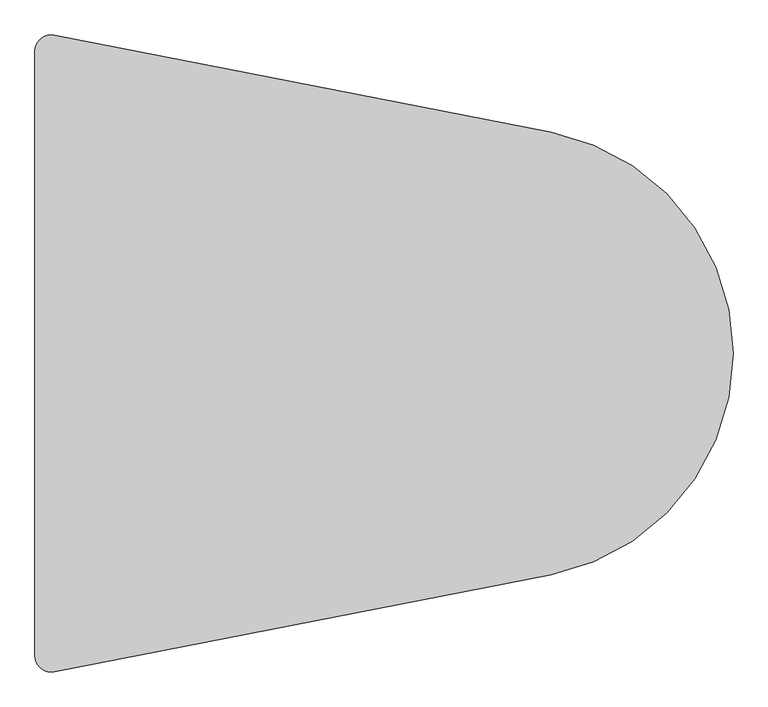
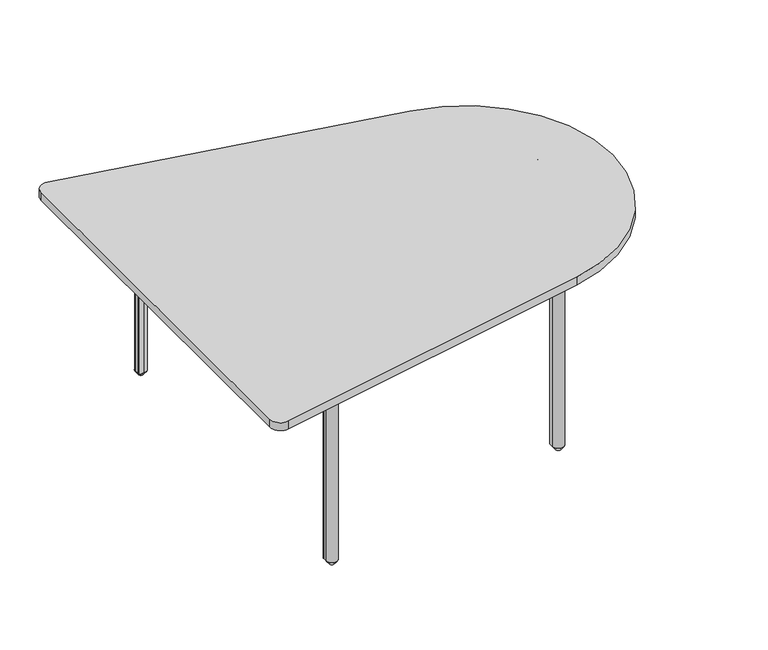
"""IFC4 building model written with IfcOpenShell, lengths in millimetres: furniture geometry."""

from ifc_helpers import new_model, si_unit, point, frame, frame_2d, origin, place, context, project, spatial, polyline, circle_curve, trimmed, segment, composite_curve, outline, extrude, source, transform, mapped, element, save
from ifc_brep_helpers import plane_surface, revolved_surface, advanced_brep


def furniture_8919240a(model_context):
    return source(origin(), model_context, "Body", "SolidModel", [
        extrude(outline(composite_curve([segment(polyline([(306.4996383, -521.4095289), (313.1111225, -596.9790602)]), True, "CONTINUOUS"), segment(trimmed(circle_curve(frame_2d((294.1336137, -598.6393789)), 19.05), [point((313.1111225, -596.9790602))], [point((292.4732951, -617.6168877))], False, "CARTESIAN"), True, "CONTINUOUS"), segment(polyline([(292.4732951, -617.6168877), (214.7829764, -610.8198584)]), True, "CONTINUOUS"), segment(trimmed(circle_curve(frame_2d((216.6745905, -589.1986336)), 21.7038146), [point((214.7829764, -610.8198584))], [point((201.3276771, -604.5455492))], False, "CARTESIAN"), True, "CONTINUOUS"), segment(polyline([(201.3276771, -604.5455492), (185.7002049, -588.9180792)]), True, "CONTINUOUS"), segment(trimmed(circle_curve(frame_2d((206.6651342, -567.9531469)), 29.6488894), [point((185.7002049, -588.9180792))], [point((177.1290677, -570.5372177))], False, "CARTESIAN"), True, "CONTINUOUS"), segment(polyline([(177.1290677, -570.5372177), (170.6816968, -496.8434272), (170.6816968, -478.6223852)]), True, "CONTINUOUS"), segment(trimmed(circle_curve(frame_2d((174.1166211, -478.6223852)), 3.4349243), [point((170.6816968, -478.6223852))], [point((174.1166211, -475.1874609))], False, "CARTESIAN"), True, "CONTINUOUS"), segment(polyline([(174.1166211, -475.1874609), (192.3376556, -475.1874609), (265.2696232, -481.5681814)]), True, "CONTINUOUS"), segment(trimmed(circle_curve(frame_2d((262.5024283, -513.1973631)), 31.75), [point((265.2696232, -481.5681814))], [point((284.9530718, -490.746726))], False, "CARTESIAN"), True, "CONTINUOUS"), segment(polyline([(284.9530718, -490.746726), (298.534434, -504.328092)]), True, "CONTINUOUS"), segment(trimmed(circle_curve(frame_2d((279.0515964, -523.810924)), 27.5528892), [point((298.534434, -504.328092))], [point((306.4996383, -521.4095289))], False, "CARTESIAN"), True, "CONTINUOUS")], self_intersect=False)), frame((0.0, 0.0, 686.384194), z_axis=(0.0, 0.0, 1.0), x_axis=(1.0, 0.0, 0.0)), (0.0, 0.0, 1.0), 7.924807),
        extrude(outline(composite_curve([segment(polyline([(1231.5307827, -335.3613722), (1238.1422669, -410.9309035)]), True, "CONTINUOUS"), segment(trimmed(circle_curve(frame_2d((1219.1647581, -412.5912221)), 19.05), [point((1238.1422669, -410.9309035))], [point((1217.5044395, -431.568731))], False, "CARTESIAN"), True, "CONTINUOUS"), segment(polyline([(1217.5044395, -431.568731), (1139.8141208, -424.7717017)]), True, "CONTINUOUS"), segment(trimmed(circle_curve(frame_2d((1141.7057349, -403.1504769)), 21.7038146), [point((1139.8141208, -424.7717017))], [point((1126.3588215, -418.4973924))], False, "CARTESIAN"), True, "CONTINUOUS"), segment(polyline([(1126.3588215, -418.4973924), (1110.7313493, -402.8699224)]), True, "CONTINUOUS"), segment(trimmed(circle_curve(frame_2d((1131.6962785, -381.9049902)), 29.6488894), [point((1110.7313493, -402.8699224))], [point((1102.1602121, -384.489061))], False, "CARTESIAN"), True, "CONTINUOUS"), segment(polyline([(1102.1602121, -384.489061), (1095.7128412, -310.7952705), (1095.7128412, -292.5742284)]), True, "CONTINUOUS"), segment(trimmed(circle_curve(frame_2d((1099.1477655, -292.5742284)), 3.4349243), [point((1095.7128412, -292.5742284))], [point((1099.1477655, -289.1393042))], False, "CARTESIAN"), True, "CONTINUOUS"), segment(polyline([(1099.1477655, -289.1393042), (1117.3688, -289.1393042), (1190.3007676, -295.5200247)]), True, "CONTINUOUS"), segment(trimmed(circle_curve(frame_2d((1187.5335727, -327.1492064)), 31.75), [point((1190.3007676, -295.5200247))], [point((1209.9842162, -304.6985692))], False, "CARTESIAN"), True, "CONTINUOUS"), segment(polyline([(1209.9842162, -304.6985692), (1223.5655783, -318.2799352)]), True, "CONTINUOUS"), segment(trimmed(circle_curve(frame_2d((1204.0827408, -337.7627672)), 27.5528892), [point((1223.5655783, -318.2799352))], [point((1231.5307827, -335.3613722))], False, "CARTESIAN"), True, "CONTINUOUS")], self_intersect=False)), frame((0.0, 0.0, 686.384194), z_axis=(0.0, 0.0, 1.0), x_axis=(1.0, 0.0, 0.0)), (0.0, 0.0, 1.0), 7.924807),
        extrude(outline(composite_curve([segment(polyline([(216.7261592, 611.0453201), (292.2956905, 617.6568043)]), True, "CONTINUOUS"), segment(trimmed(circle_curve(frame_2d((293.9560091, 598.6792955)), 19.05), [point((292.2956905, 617.6568043))], [point((312.933518, 597.0189769))], False, "CARTESIAN"), True, "CONTINUOUS"), segment(polyline([(312.933518, 597.0189769), (306.1364887, 519.3286582)]), True, "CONTINUOUS"), segment(trimmed(circle_curve(frame_2d((284.5152639, 521.2202723)), 21.7038146), [point((306.1364887, 519.3286582))], [point((299.8621794, 505.8733589))], False, "CARTESIAN"), True, "CONTINUOUS"), segment(polyline([(299.8621794, 505.8733589), (284.2347094, 490.2458867)]), True, "CONTINUOUS"), segment(trimmed(circle_curve(frame_2d((263.2697772, 511.210816)), 29.6488894), [point((284.2347094, 490.2458867))], [point((265.853848, 481.6747495))], False, "CARTESIAN"), True, "CONTINUOUS"), segment(polyline([(265.853848, 481.6747495), (192.1600575, 475.2273787), (173.9390155, 475.2273787)]), True, "CONTINUOUS"), segment(trimmed(circle_curve(frame_2d((173.9390155, 478.6623029)), 3.4349243), [point((173.9390155, 475.2273787))], [point((170.5040912, 478.6623029))], False, "CARTESIAN"), True, "CONTINUOUS"), segment(polyline([(170.5040912, 478.6623029), (170.5040912, 496.8833374), (176.8848117, 569.8153051)]), True, "CONTINUOUS"), segment(trimmed(circle_curve(frame_2d((208.5139934, 567.0481102)), 31.75), [point((176.8848117, 569.8153051))], [point((186.0633563, 589.4987536))], False, "CARTESIAN"), True, "CONTINUOUS"), segment(polyline([(186.0633563, 589.4987536), (199.6447222, 603.0801158)]), True, "CONTINUOUS"), segment(trimmed(circle_curve(frame_2d((219.1275542, 583.5972782)), 27.5528892), [point((199.6447222, 603.0801158))], [point((216.7261592, 611.0453201))], False, "CARTESIAN"), True, "CONTINUOUS")], self_intersect=False)), frame((0.0, 0.0, 686.384194), z_axis=(0.0, 0.0, 1.0), x_axis=(1.0, 0.0, 0.0)), (0.0, 0.0, 1.0), 7.924807),
        extrude(outline(composite_curve([segment(polyline([(1140.9097739, 425.6475359), (1216.4793052, 432.2590201)]), True, "CONTINUOUS"), segment(trimmed(circle_curve(frame_2d((1218.1396238, 413.2815113)), 19.05), [point((1216.4793052, 432.2590201))], [point((1237.1171327, 411.6211926))], False, "CARTESIAN"), True, "CONTINUOUS"), segment(polyline([(1237.1171327, 411.6211926), (1230.3201034, 333.930874)]), True, "CONTINUOUS"), segment(trimmed(circle_curve(frame_2d((1208.6988785, 335.8224881)), 21.7038146), [point((1230.3201034, 333.930874))], [point((1224.0457941, 320.4755747))], False, "CARTESIAN"), True, "CONTINUOUS"), segment(polyline([(1224.0457941, 320.4755747), (1208.4183241, 304.8481025)]), True, "CONTINUOUS"), segment(trimmed(circle_curve(frame_2d((1187.4533919, 325.8130317)), 29.6488894), [point((1208.4183241, 304.8481025))], [point((1190.0374627, 296.2769653))], False, "CARTESIAN"), True, "CONTINUOUS"), segment(polyline([(1190.0374627, 296.2769653), (1116.3436722, 289.8295944), (1098.1226301, 289.8295944)]), True, "CONTINUOUS"), segment(trimmed(circle_curve(frame_2d((1098.1226301, 293.2645187)), 3.4349243), [point((1098.1226301, 289.8295944))], [point((1094.6877058, 293.2645187))], False, "CARTESIAN"), True, "CONTINUOUS"), segment(polyline([(1094.6877058, 293.2645187), (1094.6877058, 311.4855532), (1101.0684264, 384.4175208)]), True, "CONTINUOUS"), segment(trimmed(circle_curve(frame_2d((1132.697608, 381.6503259)), 31.75), [point((1101.0684264, 384.4175208))], [point((1110.2469709, 404.1009694))], False, "CARTESIAN"), True, "CONTINUOUS"), segment(polyline([(1110.2469709, 404.1009694), (1123.8283369, 417.6823315)]), True, "CONTINUOUS"), segment(trimmed(circle_curve(frame_2d((1143.3111689, 398.199494)), 27.5528892), [point((1123.8283369, 417.6823315))], [point((1140.9097739, 425.6475359))], False, "CARTESIAN"), True, "CONTINUOUS")], self_intersect=False)), frame((0.0, 0.0, 686.384194), z_axis=(0.0, 0.0, 1.0), x_axis=(1.0, 0.0, 0.0)), (0.0, 0.0, 1.0), 7.924807),
        extrude(outline(composite_curve([segment(polyline([(0.0, -715.7297218), (0.0, 715.7297218)]), True, "CONTINUOUS"), segment(trimmed(circle_curve(frame_2d((38.1, 715.7297218)), 38.1), [point((0.0, 715.7297218))], [point((45.4104976, 753.1217881))], False, "CARTESIAN"), True, "CONTINUOUS"), segment(polyline([(45.4104976, 753.1217881), (1219.9471093, 523.4889286)]), True, "CONTINUOUS"), segment(trimmed(circle_curve(frame_2d((1117.6001425, 0.0)), 533.4), [point((1219.9471093, 523.4889286))], [point((1219.9471093, -523.4889286))], False, "CARTESIAN"), True, "CONTINUOUS"), segment(polyline([(1219.9471093, -523.4889286), (45.4104976, -753.1217881)]), True, "CONTINUOUS"), segment(trimmed(circle_curve(frame_2d((38.1, -715.7297218)), 38.1), [point((45.4104976, -753.1217881))], [point((0.0, -715.7297218))], False, "CARTESIAN"), True, "CONTINUOUS")], self_intersect=False)), frame((0.0, 0.0, 694.309001), z_axis=(0.0, 0.0, 1.0), x_axis=(1.0, 0.0, 0.0)), (0.0, 0.0, 1.0), 29.5899817),
        advanced_brep(
        [(1225.9970799, 411.0607173, 0.0), (1208.3572806, 411.0607173, 0.0), (1217.1771803, 411.0607173, 0.0), (1217.1771803, 411.0607173, 15.24), (1197.1767863, 411.0607173, 15.24), (1237.1775742, 411.0607173, 15.24)],
        [
            (0, 1, circle_curve(frame((1217.1771803, 411.0607173, 0.0), z_axis=(0.0, 0.0, -1.0), x_axis=(-1.0, 0.0, 0.0)), 8.8198997)),
            (1, 2),
            (2, 0),
            (1, 0, circle_curve(frame((1217.1771803, 411.0607173, 0.0), z_axis=(0.0, 0.0, -1.0), x_axis=(-1.0, 0.0, 0.0)), 8.8198997)),
            (3, 4),
            (4, 5, circle_curve(frame((1217.1771803, 411.0607173, 15.24), z_axis=(0.0, 0.0, 1.0), x_axis=(-1.0, 0.0, 0.0)), 20.0003939)),
            (5, 3),
            (5, 4, circle_curve(frame((1217.1771803, 411.0607173, 15.24), z_axis=(0.0, 0.0, 1.0), x_axis=(-1.0, 0.0, 0.0)), 20.0003939)),
            (4, 1),
            (0, 5),
        ],
        [
            plane_surface(frame((1217.1771803, 411.0607173, 0.0), z_axis=(0.0, 0.0, -1.0), x_axis=(-1.0, 0.0, 0.0))),
            plane_surface(frame((1217.1771803, 411.0607173, 15.24), z_axis=(0.0, 0.0, 1.0), x_axis=(-1.0, 0.0, 0.0))),
            revolved_surface(polyline([(1208.3572806, 411.0607173, 0.0), (1197.1767863, 411.0607173, 15.24)]), (1217.1771803, 411.0607173, -11.2120944), (0.0, 0.0, 1.0)),
        ],
        [
            (0, [[1, 2, 3]]),
            (0, [[4, -3, -2]]),
            (1, [[5, 6, 7]]),
            (1, [[-7, 8, -5]]),
            (2, [[-6, 9, -1, 10]]),
            (2, [[-8, -10, -4, -9]]),
        ],
    ),
        advanced_brep(
        [(300.8814549, 597.1950923, 0.0), (283.2416556, 597.1950923, 0.0), (292.0615553, 597.1950923, 0.0), (292.0615553, 597.1950923, 15.24), (272.0611613, 597.1950923, 15.24), (312.0619492, 597.1950923, 15.24)],
        [
            (0, 1, circle_curve(frame((292.0615553, 597.1950923, 0.0), z_axis=(0.0, 0.0, -1.0), x_axis=(-1.0, 0.0, 0.0)), 8.8198997)),
            (1, 2),
            (2, 0),
            (1, 0, circle_curve(frame((292.0615553, 597.1950923, 0.0), z_axis=(0.0, 0.0, -1.0), x_axis=(-1.0, 0.0, 0.0)), 8.8198997)),
            (3, 4),
            (4, 5, circle_curve(frame((292.0615553, 597.1950923, 15.24), z_axis=(0.0, 0.0, 1.0), x_axis=(-1.0, 0.0, 0.0)), 20.0003939)),
            (5, 3),
            (5, 4, circle_curve(frame((292.0615553, 597.1950923, 15.24), z_axis=(0.0, 0.0, 1.0), x_axis=(-1.0, 0.0, 0.0)), 20.0003939)),
            (4, 1),
            (0, 5),
        ],
        [
            plane_surface(frame((292.0615553, 597.1950923, 0.0), z_axis=(0.0, 0.0, -1.0), x_axis=(-1.0, 0.0, 0.0))),
            plane_surface(frame((292.0615553, 597.1950923, 15.24), z_axis=(0.0, 0.0, 1.0), x_axis=(-1.0, 0.0, 0.0))),
            revolved_surface(polyline([(283.2416556, 597.1950923, 0.0), (272.0611613, 597.1950923, 15.24)]), (292.0615553, 597.1950923, -11.2120944), (0.0, 0.0, 1.0)),
        ],
        [
            (0, [[1, 2, 3]]),
            (0, [[4, -3, -2]]),
            (1, [[5, 6, 7]]),
            (1, [[-7, 8, -5]]),
            (2, [[-6, 9, -1, 10]]),
            (2, [[-8, -10, -4, -9]]),
        ],
    ),
        advanced_brep(
        [(1217.1771803, -411.0607173, 0.0), (1208.3572806, -411.0607173, 0.0), (1225.9970799, -411.0607173, 0.0), (1237.1775742, -411.0607173, 15.24), (1197.1767863, -411.0607173, 15.24), (1217.1771803, -411.0607173, 15.24)],
        [
            (0, 1),
            (1, 2, circle_curve(frame((1217.1771803, -411.0607173, 0.0), z_axis=(0.0, 0.0, -1.0), x_axis=(-1.0, 0.0, 0.0)), 8.8198997)),
            (2, 0),
            (2, 1, circle_curve(frame((1217.1771803, -411.0607173, 0.0), z_axis=(0.0, 0.0, -1.0), x_axis=(-1.0, 0.0, 0.0)), 8.8198997)),
            (3, 4, circle_curve(frame((1217.1771803, -411.0607173, 15.24), z_axis=(0.0, 0.0, 1.0), x_axis=(-1.0, 0.0, 0.0)), 20.0003939)),
            (4, 5),
            (5, 3),
            (4, 3, circle_curve(frame((1217.1771803, -411.0607173, 15.24), z_axis=(0.0, 0.0, 1.0), x_axis=(-1.0, 0.0, 0.0)), 20.0003939)),
            (1, 4),
            (3, 2),
        ],
        [
            plane_surface(frame((1217.1771803, -411.0607173, 0.0), z_axis=(0.0, 0.0, -1.0), x_axis=(-1.0, 0.0, 0.0))),
            plane_surface(frame((1217.1771803, -411.0607173, 15.24), z_axis=(0.0, 0.0, 1.0), x_axis=(-1.0, 0.0, 0.0))),
            revolved_surface(polyline([(1197.1767863, -411.0607173, 15.24), (1208.3572806, -411.0607173, 0.0)]), (1217.1771803, -411.0607173, -11.2120944), (0.0, 0.0, -1.0)),
        ],
        [
            (0, [[1, 2, 3]]),
            (0, [[-3, 4, -1]]),
            (1, [[5, 6, 7]]),
            (1, [[8, -7, -6]]),
            (2, [[-2, 9, -5, 10]]),
            (2, [[-4, -10, -8, -9]]),
        ],
    ),
        extrude(outline(composite_curve([segment(polyline([(131.3004534, 692.1060009), (135.6890754, 667.0571033)]), True, "CONTINUOUS"), segment(trimmed(circle_curve(frame_2d((141.0437986, 667.9952626)), 5.4362859), [point((135.6890754, 667.0571033))], [point((141.0437986, 662.5589767))], True, "CARTESIAN"), True, "CONTINUOUS"), segment(polyline([(141.0437986, 662.5589767), (157.1509808, 662.5589767)]), True, "CONTINUOUS"), segment(trimmed(circle_curve(frame_2d((157.1509808, 668.1851523)), 5.6261756), [point((157.1509808, 662.5589767))], [point((162.6927475, 667.2142384))], True, "CARTESIAN"), True, "CONTINUOUS"), segment(polyline([(162.6927475, 667.2142384), (167.0654016, 692.1724031)]), True, "CONTINUOUS"), segment(trimmed(circle_curve(frame_2d((169.6088735, 691.7267885)), 2.5822125), [point((167.0654016, 692.1724031))], [point((169.6088735, 694.309001))], False, "CARTESIAN"), True, "CONTINUOUS"), segment(polyline([(169.6088735, 694.309001), (183.3400987, 694.309001), (183.3400987, 693.0949036), (169.6195636, 693.0949036)]), True, "CONTINUOUS"), segment(trimmed(circle_curve(frame_2d((169.6195636, 691.7140737)), 1.3808298), [point((169.6195636, 693.0949036))], [point((168.2594502, 691.9523647))], True, "CARTESIAN"), True, "CONTINUOUS"), segment(polyline([(168.2594502, 691.9523647), (163.8582464, 666.8312447)]), True, "CONTINUOUS"), segment(trimmed(circle_curve(frame_2d((157.3271084, 667.9754958)), 6.6306164), [point((163.8582464, 666.8312447))], [point((157.3271084, 661.3448793))], False, "CARTESIAN"), True, "CONTINUOUS"), segment(polyline([(157.3271084, 661.3448793), (140.7914221, 661.3448793)]), True, "CONTINUOUS"), segment(trimmed(circle_curve(frame_2d((140.7914221, 667.6948793)), 6.35), [point((140.7914221, 661.3448793))], [point((134.536692, 666.5990458))], False, "CARTESIAN"), True, "CONTINUOUS"), segment(polyline([(134.536692, 666.5990458), (130.0830739, 692.0191281)]), True, "CONTINUOUS"), segment(trimmed(circle_curve(frame_2d((128.8024358, 691.7947593)), 1.3001443), [point((130.0830739, 692.0191281))], [point((128.8024358, 693.0949036))], True, "CARTESIAN"), True, "CONTINUOUS"), segment(polyline([(128.8024358, 693.0949036), (115.0140982, 693.0949036), (115.0140982, 694.309001), (128.6779269, 694.309001)]), True, "CONTINUOUS"), segment(trimmed(circle_curve(frame_2d((128.6779269, 691.6465284)), 2.6624725), [point((128.6779269, 694.309001))], [point((131.3004534, 692.1060009))], False, "CARTESIAN"), True, "CONTINUOUS")], self_intersect=False)), frame((201.6098052, 0.0, 0.0), z_axis=(1.0, 0.0, 0.0), x_axis=(0.0, 1.0, 0.0)), (0.0, 0.0, 1.0), 1258.2226486),
        advanced_brep(
        [(292.0615553, -597.1950923, 0.0), (283.2416556, -597.1950923, 0.0), (300.8814549, -597.1950923, 0.0), (312.0619492, -597.1950923, 15.24), (272.0611613, -597.1950923, 15.24), (292.0615553, -597.1950923, 15.24)],
        [
            (0, 1),
            (1, 2, circle_curve(frame((292.0615553, -597.1950923, 0.0), z_axis=(0.0, 0.0, -1.0), x_axis=(-1.0, 0.0, 0.0)), 8.8198997)),
            (2, 0),
            (2, 1, circle_curve(frame((292.0615553, -597.1950923, 0.0), z_axis=(0.0, 0.0, -1.0), x_axis=(-1.0, 0.0, 0.0)), 8.8198997)),
            (3, 4, circle_curve(frame((292.0615553, -597.1950923, 15.24), z_axis=(0.0, 0.0, 1.0), x_axis=(-1.0, 0.0, 0.0)), 20.0003939)),
            (4, 5),
            (5, 3),
            (4, 3, circle_curve(frame((292.0615553, -597.1950923, 15.24), z_axis=(0.0, 0.0, 1.0), x_axis=(-1.0, 0.0, 0.0)), 20.0003939)),
            (1, 4),
            (3, 2),
        ],
        [
            plane_surface(frame((292.0615553, -597.1950923, 0.0), z_axis=(0.0, 0.0, -1.0), x_axis=(-1.0, 0.0, 0.0))),
            plane_surface(frame((292.0615553, -597.1950923, 15.24), z_axis=(0.0, 0.0, 1.0), x_axis=(-1.0, 0.0, 0.0))),
            revolved_surface(polyline([(272.0611613, -597.1950923, 15.24), (283.2416556, -597.1950923, 0.0)]), (292.0615553, -597.1950923, -11.2120944), (0.0, 0.0, -1.0)),
        ],
        [
            (0, [[1, 2, 3]]),
            (0, [[-3, 4, -1]]),
            (1, [[5, 6, 7]]),
            (1, [[8, -7, -6]]),
            (2, [[-2, 9, -5, 10]]),
            (2, [[-4, -10, -8, -9]]),
        ],
    ),
        advanced_brep(
        [(312.0901505, 597.0268483, 15.24), (272.0893626, 597.0268483, 15.24), (292.0897566, 597.0268483, 15.24), (300.9378575, 597.0268483, 0.0), (283.2416556, 597.0268483, 0.0), (292.0897566, 597.0268483, 0.0)],
        [
            (0, 1, circle_curve(frame((292.0897566, 597.0268483, 15.24), z_axis=(0.0, 0.0, 1.0), x_axis=(-1.0, 0.0, 0.0)), 20.0003939)),
            (1, 2),
            (2, 0),
            (1, 0, circle_curve(frame((292.0897566, 597.0268483, 15.24), z_axis=(0.0, 0.0, 1.0), x_axis=(-1.0, 0.0, 0.0)), 20.0003939)),
            (3, 4, circle_curve(frame((292.0897566, 597.0268483, 0.0), z_axis=(0.0, 0.0, 1.0), x_axis=(-1.0, 0.0, 0.0)), 8.848101)),
            (4, 1),
            (0, 3),
            (4, 3, circle_curve(frame((292.0897566, 597.0268483, 0.0), z_axis=(0.0, 0.0, 1.0), x_axis=(-1.0, 0.0, 0.0)), 8.848101)),
            (5, 4),
            (3, 5),
        ],
        [
            plane_surface(frame((292.0897566, 597.0268483, 15.24), z_axis=(0.0, 0.0, 1.0), x_axis=(-1.0, 0.0, 0.0))),
            revolved_surface(polyline([(272.0893626, 597.0268483, 15.24), (283.2416556, 597.0268483, 0.0)]), (292.0897566, 597.0268483, -11.2120944), (0.0, 0.0, -1.0)),
            plane_surface(frame((292.0897566, 597.0268483, 0.0), z_axis=(0.0, 0.0, -1.0), x_axis=(-1.0, 0.0, 0.0))),
        ],
        [
            (0, [[1, 2, 3]]),
            (0, [[4, -3, -2]]),
            (1, [[5, 6, -1, 7]]),
            (1, [[8, -7, -4, -6]]),
            (2, [[9, -5, 10]]),
            (2, [[-10, -8, -9]]),
        ],
    ),
        extrude(outline(composite_curve([segment(trimmed(circle_curve(frame_2d((292.5254645, -597.0356156)), 19.939), [point((292.5254645, -577.0966156))], [point((272.5864645, -597.0356156))], False, "CARTESIAN"), True, "CONTINUOUS"), segment(polyline([(272.5864645, -597.0356156), (272.5864645, -579.7503221)]), True, "CONTINUOUS"), segment(trimmed(circle_curve(frame_2d((275.2401709, -579.7503221)), 2.6537064), [point((272.5864645, -579.7503221))], [point((275.2401709, -577.0966156))], False, "CARTESIAN"), True, "CONTINUOUS"), segment(polyline([(275.2401709, -577.0966156), (292.5254645, -577.0966156)]), True, "CONTINUOUS")], self_intersect=False)), frame((0.0, 0.0, 15.24), z_axis=(0.0, 0.0, 1.0), x_axis=(1.0, 0.0, 0.0)), (0.0, 0.0, 1.0), 671.144194),
        extrude(outline(composite_curve([segment(trimmed(circle_curve(frame_2d((1217.5566089, -410.9874589)), 19.939), [point((1217.5566089, -391.0484589))], [point((1197.6176089, -410.9874589))], False, "CARTESIAN"), True, "CONTINUOUS"), segment(polyline([(1197.6176089, -410.9874589), (1197.6176089, -393.7021653)]), True, "CONTINUOUS"), segment(trimmed(circle_curve(frame_2d((1200.2713153, -393.7021653)), 2.6537064), [point((1197.6176089, -393.7021653))], [point((1200.2713153, -391.0484589))], False, "CARTESIAN"), True, "CONTINUOUS"), segment(polyline([(1200.2713153, -391.0484589), (1217.5566089, -391.0484589)]), True, "CONTINUOUS")], self_intersect=False)), frame((0.0, 0.0, 15.24), z_axis=(0.0, 0.0, 1.0), x_axis=(1.0, 0.0, 0.0)), (0.0, 0.0, 1.0), 671.144194),
        extrude(outline(composite_curve([segment(trimmed(circle_curve(frame_2d((292.3522459, 597.0711463)), 19.939), [point((272.4132459, 597.0711463))], [point((292.3522459, 577.1321463))], False, "CARTESIAN"), True, "CONTINUOUS"), segment(polyline([(292.3522459, 577.1321463), (275.0669523, 577.1321463)]), True, "CONTINUOUS"), segment(trimmed(circle_curve(frame_2d((275.0669523, 579.7858527)), 2.6537064), [point((275.0669523, 577.1321463))], [point((272.4132459, 579.7858527))], False, "CARTESIAN"), True, "CONTINUOUS"), segment(polyline([(272.4132459, 579.7858527), (272.4132459, 597.0711463)]), True, "CONTINUOUS")], self_intersect=False)), frame((0.0, 0.0, 15.24), z_axis=(0.0, 0.0, 1.0), x_axis=(1.0, 0.0, 0.0)), (0.0, 0.0, 1.0), 671.144194),
        extrude(outline(composite_curve([segment(trimmed(circle_curve(frame_2d((1216.5358606, 411.6733621)), 19.939), [point((1196.5968606, 411.6733621))], [point((1216.5358606, 391.7343621))], False, "CARTESIAN"), True, "CONTINUOUS"), segment(polyline([(1216.5358606, 391.7343621), (1199.250567, 391.7343621)]), True, "CONTINUOUS"), segment(trimmed(circle_curve(frame_2d((1199.250567, 394.3880685)), 2.6537064), [point((1199.250567, 391.7343621))], [point((1196.5968606, 394.3880685))], False, "CARTESIAN"), True, "CONTINUOUS"), segment(polyline([(1196.5968606, 394.3880685), (1196.5968606, 411.6733621)]), True, "CONTINUOUS")], self_intersect=False)), frame((0.0, 0.0, 15.24), z_axis=(0.0, 0.0, 1.0), x_axis=(1.0, 0.0, 0.0)), (0.0, 0.0, 1.0), 671.144194),
        extrude(outline(composite_curve([segment(trimmed(circle_curve(frame_2d((-128.6779269, 691.6465284)), 2.6624725), [point((-131.3004534, 692.1060009))], [point((-128.6779269, 694.309001))], False, "CARTESIAN"), True, "CONTINUOUS"), segment(polyline([(-128.6779269, 694.309001), (-115.0140982, 694.309001), (-115.0140982, 693.0949036), (-128.8024358, 693.0949036)]), True, "CONTINUOUS"), segment(trimmed(circle_curve(frame_2d((-128.8024358, 691.7947593)), 1.3001443), [point((-128.8024358, 693.0949036))], [point((-130.0830739, 692.0191281))], True, "CARTESIAN"), True, "CONTINUOUS"), segment(polyline([(-130.0830739, 692.0191281), (-134.536692, 666.5990458)]), True, "CONTINUOUS"), segment(trimmed(circle_curve(frame_2d((-140.7914221, 667.6948793)), 6.35), [point((-134.536692, 666.5990458))], [point((-140.7914221, 661.3448793))], False, "CARTESIAN"), True, "CONTINUOUS"), segment(polyline([(-140.7914221, 661.3448793), (-157.3271084, 661.3448793)]), True, "CONTINUOUS"), segment(trimmed(circle_curve(frame_2d((-157.3271084, 667.9754958)), 6.6306164), [point((-157.3271084, 661.3448793))], [point((-163.8582464, 666.8312447))], False, "CARTESIAN"), True, "CONTINUOUS"), segment(polyline([(-163.8582464, 666.8312447), (-168.2594502, 691.9523647)]), True, "CONTINUOUS"), segment(trimmed(circle_curve(frame_2d((-169.6195636, 691.7140737)), 1.3808298), [point((-168.2594502, 691.9523647))], [point((-169.6195636, 693.0949036))], True, "CARTESIAN"), True, "CONTINUOUS"), segment(polyline([(-169.6195636, 693.0949036), (-183.3400987, 693.0949036), (-183.3400987, 694.309001), (-169.6088735, 694.309001)]), True, "CONTINUOUS"), segment(trimmed(circle_curve(frame_2d((-169.6088735, 691.7267885)), 2.5822125), [point((-169.6088735, 694.309001))], [point((-167.0654016, 692.1724031))], False, "CARTESIAN"), True, "CONTINUOUS"), segment(polyline([(-167.0654016, 692.1724031), (-162.6927475, 667.2142384)]), True, "CONTINUOUS"), segment(trimmed(circle_curve(frame_2d((-157.1509808, 668.1851523)), 5.6261756), [point((-162.6927475, 667.2142384))], [point((-157.1509808, 662.5589767))], True, "CARTESIAN"), True, "CONTINUOUS"), segment(polyline([(-157.1509808, 662.5589767), (-141.0437986, 662.5589767)]), True, "CONTINUOUS"), segment(trimmed(circle_curve(frame_2d((-141.0437986, 667.9952626)), 5.4362859), [point((-141.0437986, 662.5589767))], [point((-135.6890754, 667.0571033))], True, "CARTESIAN"), True, "CONTINUOUS"), segment(polyline([(-135.6890754, 667.0571033), (-131.3004534, 692.1060009)]), True, "CONTINUOUS")], self_intersect=False)), frame((201.6098052, 0.0, 0.0), z_axis=(1.0, 0.0, 0.0), x_axis=(0.0, 1.0, 0.0)), (0.0, 0.0, 1.0), 1258.2226486),
    ])


if __name__ == "__main__":
    model = new_model("IFC4")
    model_context = context("Model", 3, world=origin())
    ifc_project = project(units=[si_unit("LENGTHUNIT", "METRE", prefix="MILLI")], contexts=[model_context])
    site = spatial("IfcSite", under=ifc_project)
    building = spatial("IfcBuilding", under=site)
    placement = place(None, origin())
    furniture_shape = furniture_8919240a(model_context)
    element("IfcFurniture", 1, at=placement, inside=building, context=model_context, shape_type="MappedRepresentation", body=[
        mapped(furniture_shape, transform((0.0, 0.0, 0.0), x_axis=(1.0, 0.0, 0.0), y_axis=(0.0, 1.0, 0.0), z_axis=(0.0, 0.0, 1.0))),
    ])
    save(model, "model.ifc")
